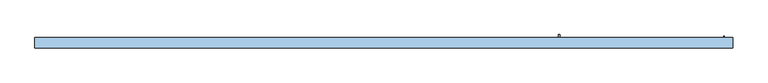
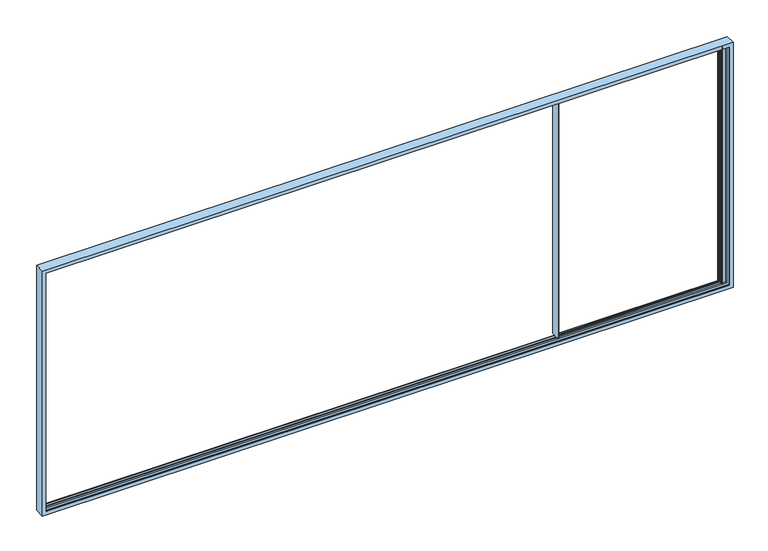
"""IFC4 building model written with IfcOpenShell, lengths in millimetres: window geometry."""

import ifcopenshell
import ifcopenshell.guid

model = None  # the IFC model being written
_history = None  # IfcOwnerHistory: only IFC2X3 demands one
_inside = {}  # id of a spatial element -> (the spatial element, [elements in it])
_under = {}  # id of a project, library or spatial element -> (it, [spatial elements below it])
_declared = {}  # id of a project -> (the project, [libraries it declares])
_typed = {}  # id of a type object -> (the type object, [elements of that type])
_made_of = {}  # id of a material, layer set ... -> (it, [elements and type objects made of it])


def new_model(schema):
    """Start an empty IFC model of exactly this schema.

    Asked for "IFC4X3", IfcOpenShell would pick the latest addendum, in which some entities
    have other attributes; the version numbers below select the first issue.
    IFC2X3 requires an IfcOwnerHistory on every rooted entity: one is made here for all.
    """
    global model, _history
    if schema == "IFC4X3":
        model = ifcopenshell.file(schema_version=(4, 3, 0, 0))
    else:
        model = ifcopenshell.file(schema=schema)
    _inside.clear()
    _under.clear()
    _declared.clear()
    _typed.clear()
    _made_of.clear()
    _history = None
    if model.schema == "IFC2X3":
        org = make("IfcOrganization", Name="unknown")
        user = make(
            "IfcPersonAndOrganization",
            ThePerson=make("IfcPerson", FamilyName="unknown"),
            TheOrganization=org,
        )
        app = make(
            "IfcApplication",
            ApplicationDeveloper=org,
            Version="unknown",
            ApplicationFullName="unknown",
            ApplicationIdentifier="unknown",
        )
        _history = make(
            "IfcOwnerHistory",
            OwningUser=user,
            OwningApplication=app,
            ChangeAction="ADDED",
            CreationDate=0,
        )
    return model


def make(cls, **values):
    """One entity of the class cls with the attributes given. An attribute that is None is left unset."""
    return model.create_entity(
        cls, **{name: value for name, value in values.items() if value is not None}
    )


def rooted(cls, **values):
    """An entity with a GlobalId (a new one), such as an element, a storey or a relation."""
    return make(cls, GlobalId=ifcopenshell.guid.new(), OwnerHistory=_history, **values)


def si_unit(unit_type, name, prefix=None):
    """IfcSIUnit, for example si_unit("LENGTHUNIT", "METRE", prefix="MILLI")."""
    return make("IfcSIUnit", UnitType=unit_type, Prefix=prefix, Name=name)


def assignment(units):
    """IfcUnitAssignment: the units of a project."""
    return None if units is None else make("IfcUnitAssignment", Units=units)


def point(xyz):
    """IfcCartesianPoint."""
    return None if xyz is None else make("IfcCartesianPoint", Coordinates=xyz)


def direction(xyz):
    """IfcDirection."""
    return None if xyz is None else make("IfcDirection", DirectionRatios=xyz)


def frame(location, z_axis=None, x_axis=None):
    """IfcAxis2Placement3D, a coordinate frame: its origin and axes. An axis left out is left unset."""
    return make(
        "IfcAxis2Placement3D",
        Location=point(location),
        Axis=direction(z_axis),
        RefDirection=direction(x_axis),
    )


def origin():
    """The frame at (0, 0, 0) with its axes left unset."""
    return frame((0.0, 0.0, 0.0))


def place(relative_to, where):
    """IfcLocalPlacement: puts the frame where relative to a parent placement (None: the world)."""
    return make(
        "IfcLocalPlacement", PlacementRelTo=relative_to, RelativePlacement=where
    )


def context(
    kind, dimensions, precision=None, world=None, true_north=None, identifier=None
):
    """IfcGeometricRepresentationContext, for example the 3D "Model" context."""
    return make(
        "IfcGeometricRepresentationContext",
        ContextIdentifier=identifier,
        ContextType=kind,
        CoordinateSpaceDimension=dimensions,
        Precision=precision,
        WorldCoordinateSystem=world,
        TrueNorth=true_north,
    )


def project(units=None, contexts=None):
    """IfcProject with its units and contexts."""
    return rooted(
        "IfcProject",
        Name="project",
        RepresentationContexts=contexts,
        UnitsInContext=assignment(units),
    )


def spatial(cls, under=None, at=None, **own):
    """A site, building, storey or space (cls), placed at a placement, below another one or the project."""
    s = rooted(cls, ObjectPlacement=at, **own)
    if under is not None:
        _under.setdefault(under.id(), (under, []))[1].append(s)
    return s


def polyline(points):
    """IfcPolyline through the points."""
    return make("IfcPolyline", Points=[point(p) for p in points])


def circle_curve(where, radius):
    """IfcCircle in the frame where."""
    return make("IfcCircle", Position=where, Radius=radius)


def faces_of(points, faces, orient=None, outer=None):
    """IfcFace entities. A face is a list of loops; a loop is a list of indices into points, from 0.

    orient and outer hold one flag for each loop. By default every Orientation is true, the
    first loop of a face is its IfcFaceOuterBound and the others are IfcFaceBound.
    """
    made = []
    for i, loops in enumerate(faces):
        bounds = []
        for j, loop in enumerate(loops):
            is_outer = j == 0 if outer is None else outer[i][j]
            bounds.append(
                make(
                    "IfcFaceOuterBound" if is_outer else "IfcFaceBound",
                    Bound=make("IfcPolyLoop", Polygon=[points[k] for k in loop]),
                    Orientation=True if orient is None else orient[i][j],
                )
            )
        made.append(make("IfcFace", Bounds=bounds))
    return made


def faceted_brep(points, faces, orient=None, outer=None, voids=None):
    """IfcFacetedBrep: a solid bounded by flat faces; with voids (closed shells), ...WithVoids."""
    shared = [point(p) for p in points]
    hull = make("IfcClosedShell", CfsFaces=faces_of(shared, faces, orient, outer))
    if voids is None:
        return make("IfcFacetedBrep", Outer=hull)
    return make(
        "IfcFacetedBrepWithVoids",
        Outer=hull,
        Voids=[
            make(cls, CfsFaces=faces_of(shared, fs, o, b)) for cls, fs, o, b in voids
        ],
    )


def shape(context_of_items, identifier, shape_type, items):
    """IfcShapeRepresentation: the items that make up one representation, for example the "Body"."""
    return make(
        "IfcShapeRepresentation",
        ContextOfItems=context_of_items,
        RepresentationIdentifier=identifier,
        RepresentationType=shape_type,
        Items=items,
    )


def source(mapping_origin, context_of_items, identifier, shape_type, items):
    """IfcRepresentationMap: a shape defined once, which mapped items show again and again."""
    return make(
        "IfcRepresentationMap",
        MappingOrigin=mapping_origin,
        MappedRepresentation=shape(context_of_items, identifier, shape_type, items),
    )


def transform(
    local_origin,
    x_axis=None,
    y_axis=None,
    z_axis=None,
    scale=None,
    scale2=None,
    scale3=None,
    uniform=True,
):
    """IfcCartesianTransformationOperator3D, or its non-uniform kind. x_axis, y_axis, z_axis: its Axis1, 2, 3."""
    if uniform:
        return make(
            "IfcCartesianTransformationOperator3D",
            Axis1=direction(x_axis),
            Axis2=direction(y_axis),
            LocalOrigin=point(local_origin),
            Scale=scale,
            Axis3=direction(z_axis),
        )
    return make(
        "IfcCartesianTransformationOperator3DnonUniform",
        Axis1=direction(x_axis),
        Axis2=direction(y_axis),
        LocalOrigin=point(local_origin),
        Scale=scale,
        Axis3=direction(z_axis),
        Scale2=scale2,
        Scale3=scale3,
    )


def mapped(mapping_source, mapping_target):
    """IfcMappedItem: shows the shape of a source again, moved by a transform."""
    return make(
        "IfcMappedItem", MappingSource=mapping_source, MappingTarget=mapping_target
    )


def made_of(thing, what):
    """Note that an element or type object is made of a material, layer set ...; save() writes the relation."""
    if what is not None:
        _made_of.setdefault(what.id(), (what, []))[1].append(thing)
    return thing


def element(
    cls,
    number,
    at=None,
    inside=None,
    cuts=None,
    type_object=None,
    material=None,
    context=None,
    identifier="Body",
    shape_type=None,
    held_by="IfcProductDefinitionShape",
    body=None,
    shapes=None,
    **own,
):
    """One element of the class cls, such as IfcWall. Its Tag is "e" and its number.

    at: its placement. inside: the storey or other place that contains it. cuts: it is an
    opening in that element (IfcRelVoidsElement). A single representation is given by context,
    identifier, shape_type and body (its items); several are given by shapes. held_by: the class
    of the entity that holds the representations. save() writes the other relations.
    """
    e = rooted(cls, Tag="e%d" % number, ObjectPlacement=at, **own)
    if body is not None:
        shapes = [shape(context, identifier, shape_type, body)]
    if shapes is not None:
        e.Representation = make(held_by, Representations=shapes)
    if inside is not None:
        _inside.setdefault(inside.id(), (inside, []))[1].append(e)
    if cuts is not None:
        rooted(
            "IfcRelVoidsElement", RelatingBuildingElement=cuts, RelatedOpeningElement=e
        )
    if type_object is not None:
        _typed.setdefault(type_object.id(), (type_object, []))[1].append(e)
    return made_of(e, material)


def aggregate(whole, parts):
    """IfcRelAggregates: a whole, such as a stair, and the parts it consists of."""
    return rooted("IfcRelAggregates", RelatingObject=whole, RelatedObjects=parts)


def save(model, path):
    """Write the relations noted so far, then the file.

    IfcRelAggregates (storeys below a building ...), IfcRelContainedInSpatialStructure (elements
    in a storey), IfcRelDefinesByType, IfcRelAssociatesMaterial and IfcRelDeclares: one each for
    every whole, place, type object, material and project.
    """
    for whole, parts in _under.values():
        aggregate(whole, parts)
    for where, things in _inside.values():
        rooted(
            "IfcRelContainedInSpatialStructure",
            RelatedElements=things,
            RelatingStructure=where,
        )
    for kind, things in _typed.values():
        rooted("IfcRelDefinesByType", RelatedObjects=things, RelatingType=kind)
    for what, things in _made_of.values():
        rooted("IfcRelAssociatesMaterial", RelatedObjects=things, RelatingMaterial=what)
    for by, libraries in _declared.values():
        rooted("IfcRelDeclares", RelatingContext=by, RelatedDefinitions=libraries)
    model.write(path)


def plane_surface(at):
    """IfcPlane: the flat surface through the origin of the frame at, square to its z axis."""
    return make("IfcPlane", Position=at)


def cylinder_surface(at, radius):
    """IfcCylindricalSurface: all points at the distance radius from the z axis of the frame at."""
    return make("IfcCylindricalSurface", Position=at, Radius=radius)


def revolved_surface(curve, axis_point, axis_direction):
    """IfcSurfaceOfRevolution: the curve turned about the line through axis_point along axis_direction."""
    return make(
        "IfcSurfaceOfRevolution",
        SweptCurve=make("IfcArbitraryOpenProfileDef", ProfileType="CURVE", Curve=curve),
        AxisPosition=make("IfcAxis1Placement", Location=point(axis_point), Axis=direction(axis_direction)),
    )


def advanced_brep(points, edges, surfaces, faces):
    """IfcAdvancedBrep: a solid bounded by faces that lie on surfaces and meet in shared edges.

    An edge is (start, end): straight between two places in points (the first is 0);
    or (start, end, curve); or (start, end, curve, False) where it runs against its curve.
    A face is (place in surfaces, loops), or (place, loops, False) where it looks against
    its surface's normal. A loop lists edges by number (the first is 1), with a minus sign
    where the edge is run from its end to its start. The first loop is the outer one.
    """
    corners = [point(p) for p in points]
    vertices = [make("IfcVertexPoint", VertexGeometry=c) for c in corners]
    made = []
    for start, end, *more in edges:
        made.append(
            make(
                "IfcEdgeCurve",
                EdgeStart=vertices[start],
                EdgeEnd=vertices[end],
                EdgeGeometry=more[0] if more else make("IfcPolyline", Points=[corners[start], corners[end]]),
                SameSense=more[1] if len(more) > 1 else True,
            )
        )
    hull = []
    for where, loops, *sense in faces:
        bounds = []
        for j, loop in enumerate(loops):
            ring = [make("IfcOrientedEdge", EdgeElement=made[abs(k) - 1], Orientation=k > 0) for k in loop]
            bounds.append(
                make(
                    "IfcFaceOuterBound" if j == 0 else "IfcFaceBound",
                    Bound=make("IfcEdgeLoop", EdgeList=ring),
                    Orientation=True,
                )
            )
        hull.append(make("IfcAdvancedFace", Bounds=bounds, FaceSurface=surfaces[where], SameSense=sense[0] if sense else True))
    return make("IfcAdvancedBrep", Outer=make("IfcClosedShell", CfsFaces=hull))


def window_cff2ae9e(model_context):
    return source(origin(), model_context, "Body", "SolidModel", [
        advanced_brep(
        [(4100.0, 9.1, 832.5), (4100.0, -27.3, 832.5), (4100.0, -27.3, 844.0), (4100.0, -53.8934471, 844.0), (4100.0, -53.8934471, 3752.9999325), (4100.0, -27.3, 3752.9999325), (4100.0, -27.3, 3765.0), (4100.0, 9.1, 3765.0), (4100.0, 9.1, 3752.9999325), (4100.0, 51.1, 3752.9999325), (4100.0, 51.1, 844.0), (4100.0, 9.1, 844.0), (6080.0, 9.1, 832.5), (6080.0, -27.3, 832.5), (6080.0, -27.3, 859.0), (6068.3, -27.3, 859.0), (6068.3, -27.3, 3741.0), (6080.0, -27.3, 3741.0), (6080.0, -27.3, 3765.0), (4110.0, -27.3, 3752.9999325), (4110.0, -27.3, 844.0), (4120.0, -27.3, 859.0), (4120.0, -27.3, 3741.0), (5995.0, -27.3, 3741.0), (5995.0, -27.3, 859.0), (5997.0, -27.3, 3752.9999325), (6002.3815605, -27.3, 3752.9999325), (6002.3815605, -27.3, 847.0000675), (5997.0, -27.3, 847.0000675), (4120.0, 51.1, 844.0), (4120.0, 9.1, 844.0), (4110.0, -53.8934471, 844.0), (4110.0, -53.8934471, 3752.9999325), (4120.0, 51.1, 3752.9999325), (6080.0, 9.1, 859.0), (4120.0, 9.1, 859.0), (5995.0, 9.1, 859.0), (5995.0, 9.1, 3741.0), (4120.0, 9.1, 3741.0), (4120.0, 9.1, 3752.9999325), (6080.0, 9.1, 3765.0), (6080.0, 9.1, 3741.0), (6068.3, 9.1, 3741.0), (6068.3, 9.1, 859.0), (6002.3815605, 9.1, 3752.9999325), (5997.0, 9.1, 3752.9999325), (5997.0, 9.1, 847.0000675), (6002.3815605, 9.1, 847.0000675), (6080.0, 5.9, 859.0), (6080.0, 5.9, 847.0000675), (6080.0, -24.1, 847.0000675), (6080.0, -24.1, 859.0), (6068.3, 5.9, 859.0), (6068.3, 5.9, 847.0000675), (4108.0, 5.9, 847.0000675), (6009.0, 5.9, 847.0000675), (6009.0, 5.9, 3752.9999325), (4108.0, 5.9, 3752.9999325), (5995.0, 5.9, 859.0), (4120.0, 5.9, 859.0), (4120.0, 5.9, 3741.0), (5995.0, 5.9, 3741.0), (6080.0, 5.9, 3741.0), (6080.0, 5.9, 3752.9999325), (6068.3, 5.9, 3752.9999325), (6068.3, 5.9, 3741.0), (6068.3, -24.1, 847.0000675), (4108.0, -24.1, 847.0000675), (6009.0, -24.1, 847.0000675), (6068.3, -24.1, 859.0), (4108.0, -24.1, 3752.9999325), (6009.0, -24.1, 3752.9999325), (4120.0, -24.1, 859.0), (5995.0, -24.1, 859.0), (5995.0, -24.1, 3741.0), (4120.0, -24.1, 3741.0), (6080.0, -24.1, 3752.9999325), (6080.0, -24.1, 3741.0), (6068.3, -24.1, 3741.0), (6068.3, -24.1, 3752.9999325), (5995.1310857, 15.6176786, 3752.9999325), (5995.1310857, 15.6176786, 847.0000675), (5995.1310857, 18.174499, 847.0000675), (5999.7836563, 33.3923717, 847.0000675), (6000.7399611, 34.1, 847.0000675), (6003.5, 34.1, 847.0000675), (6003.9747822, 33.4432139, 847.0000675), (5998.239631, 18.0330365, 847.0000675), (5998.126431, 16.0555341, 847.0000675), (5999.4977754, 11.2730879, 847.0000675), (5999.4977754, -29.4730879, 847.0000675), (5998.126431, -34.2555341, 847.0000675), (5998.239631, -36.2330365, 847.0000675), (6003.9747822, -51.6432139, 847.0000675), (6003.5, -52.3, 847.0000675), (6000.7399611, -52.3, 847.0000675), (5999.7836563, -51.5923717, 847.0000675), (5995.1310857, -36.374499, 847.0000675), (5995.1310857, -33.8176786, 847.0000675), (5999.4977754, 11.2730879, 3752.9999325), (5999.4977754, -29.4730879, 3752.9999325), (5995.1310857, -33.8176786, 3752.9999325), (5998.126431, -34.2555341, 3752.9999325), (5998.239631, -36.2330365, 3752.9999325), (6003.9747822, -51.6432139, 3752.9999325), (6003.5, -52.3, 3752.9999325), (6000.7399611, -52.3, 3752.9999325), (5999.7836563, -51.5923717, 3752.9999325), (5995.1310857, -36.374499, 3752.9999325), (5995.1310857, 18.174499, 3752.9999325), (5999.7836563, 33.3923717, 3752.9999325), (6000.7399611, 34.1, 3752.9999325), (6003.5, 34.1, 3752.9999325), (6003.9747822, 33.4432139, 3752.9999325), (5998.239631, 18.0330365, 3752.9999325), (5998.126431, 16.0555341, 3752.9999325)],
        [
            (0, 1),
            (1, 2),
            (2, 3),
            (3, 4),
            (4, 5),
            (5, 6),
            (6, 7),
            (7, 8),
            (8, 9),
            (9, 10),
            (10, 11),
            (11, 0),
            (0, 12),
            (12, 13),
            (13, 1),
            (13, 14),
            (14, 15),
            (15, 16),
            (16, 17),
            (17, 18),
            (18, 6),
            (5, 19),
            (19, 20),
            (20, 2),
            (21, 22),
            (22, 23),
            (23, 24),
            (24, 21),
            (25, 26),
            (26, 27),
            (27, 28),
            (28, 25),
            (10, 29),
            (29, 30),
            (30, 11),
            (20, 31),
            (31, 3),
            (32, 4),
            (31, 32),
            (9, 33),
            (33, 29),
            (34, 12),
            (30, 35),
            (35, 36),
            (36, 37),
            (37, 38),
            (38, 39),
            (39, 8),
            (7, 40),
            (40, 41),
            (41, 42),
            (42, 43),
            (43, 34),
            (44, 45),
            (45, 46),
            (46, 47),
            (47, 44),
            (48, 49),
            (49, 50),
            (50, 51),
            (51, 14),
            (34, 48),
            (48, 52),
            (52, 53),
            (53, 49),
            (54, 55),
            (55, 56),
            (56, 57),
            (57, 54),
            (58, 59),
            (59, 60),
            (60, 61),
            (61, 58),
            (62, 63),
            (63, 64),
            (64, 65),
            (65, 62),
            (53, 66),
            (66, 50),
            (54, 67),
            (67, 68),
            (68, 55),
            (66, 69),
            (69, 51),
            (67, 70),
            (70, 71),
            (71, 68),
            (72, 73),
            (73, 74),
            (74, 75),
            (75, 72),
            (76, 77),
            (77, 78),
            (78, 79),
            (79, 76),
            (69, 15),
            (72, 21),
            (24, 73),
            (43, 52),
            (35, 59),
            (58, 36),
            (42, 65),
            (64, 79),
            (78, 16),
            (33, 39),
            (38, 60),
            (61, 37),
            (45, 80),
            (80, 81),
            (81, 46),
            (81, 82, circle_curve(frame((5999.5894319, 16.8960888, 847.0000675), z_axis=(0.0, 0.0, -1.0), x_axis=(0.0, -1.0, 0.0)), 4.638015)),
            (82, 83),
            (83, 84, circle_curve(frame((6000.7399611, 33.1, 847.0000675), z_axis=(0.0, 0.0, -1.0), x_axis=(0.0, -1.0, 0.0)), 1.0)),
            (84, 85),
            (85, 86, circle_curve(frame((6003.5, 33.6, 847.0000675), z_axis=(0.0, 0.0, -1.0), x_axis=(0.0, -1.0, 0.0)), 0.5)),
            (86, 87, circle_curve(frame((5794.8068415, 102.5162025, 847.0000675), z_axis=(0.0, 0.0, -1.0), x_axis=(0.0, -1.0, 0.0)), 220.2777909)),
            (87, 88, circle_curve(frame((6001.0102161, 16.8824462, 847.0000675), z_axis=(0.0, 0.0, 1.0), x_axis=(0.0, -1.0, 0.0)), 3.0)),
            (88, 89),
            (89, 47, circle_curve(frame((6002.3815605, 12.1, 847.0000675), z_axis=(0.0, 0.0, 1.0), x_axis=(0.0, -1.0, 0.0)), 3.0)),
            (27, 90, circle_curve(frame((6002.3815605, -30.3, 847.0000675), z_axis=(0.0, 0.0, 1.0), x_axis=(0.0, -1.0, 0.0)), 3.0)),
            (90, 91),
            (91, 92, circle_curve(frame((6001.0102161, -35.0824462, 847.0000675), z_axis=(0.0, 0.0, 1.0), x_axis=(0.0, -1.0, 0.0)), 3.0)),
            (92, 93, circle_curve(frame((5794.8068415, -120.7162025, 847.0000675), z_axis=(0.0, 0.0, -1.0), x_axis=(0.0, -1.0, 0.0)), 220.2777909)),
            (93, 94, circle_curve(frame((6003.5, -51.8, 847.0000675), z_axis=(0.0, 0.0, -1.0), x_axis=(0.0, -1.0, 0.0)), 0.5)),
            (94, 95),
            (95, 96, circle_curve(frame((6000.7399611, -51.3, 847.0000675), z_axis=(0.0, 0.0, -1.0), x_axis=(0.0, -1.0, 0.0)), 1.0)),
            (96, 97),
            (97, 98, circle_curve(frame((5999.5894319, -35.0960888, 847.0000675), z_axis=(0.0, 0.0, -1.0), x_axis=(0.0, -1.0, 0.0)), 4.638015)),
            (98, 28),
            (99, 44, circle_curve(frame((6002.3815605, 12.1, 3752.9999325), z_axis=(0.0, 0.0, 1.0), x_axis=(0.0, -1.0, 0.0)), 3.0)),
            (89, 99),
            (19, 32),
            (75, 22),
            (23, 74),
            (26, 100, circle_curve(frame((6002.3815605, -30.3, 3752.9999325), z_axis=(0.0, 0.0, 1.0), x_axis=(0.0, -1.0, 0.0)), 3.0)),
            (100, 90),
            (101, 25),
            (98, 101),
            (57, 70),
            (71, 56),
            (100, 102),
            (102, 91),
            (102, 103, circle_curve(frame((6001.0102161, -35.0824462, 3752.9999325), z_axis=(0.0, 0.0, 1.0), x_axis=(0.0, -1.0, 0.0)), 3.0)),
            (103, 92),
            (103, 104, circle_curve(frame((5794.8068415, -120.7162025, 3752.9999325), z_axis=(0.0, 0.0, -1.0), x_axis=(0.0, -1.0, 0.0)), 220.2777909)),
            (104, 93),
            (104, 105, circle_curve(frame((6003.5, -51.8, 3752.9999325), z_axis=(0.0, 0.0, -1.0), x_axis=(0.0, -1.0, 0.0)), 0.5)),
            (105, 94),
            (105, 106),
            (106, 95),
            (106, 107, circle_curve(frame((6000.7399611, -51.3, 3752.9999325), z_axis=(0.0, 0.0, -1.0), x_axis=(0.0, -1.0, 0.0)), 1.0)),
            (107, 96),
            (107, 108),
            (108, 97),
            (108, 101, circle_curve(frame((5999.5894319, -35.0960888, 3752.9999325), z_axis=(0.0, 0.0, -1.0), x_axis=(0.0, -1.0, 0.0)), 4.638015)),
            (80, 109, circle_curve(frame((5999.5894319, 16.8960888, 3752.9999325), z_axis=(0.0, 0.0, -1.0), x_axis=(0.0, -1.0, 0.0)), 4.638015)),
            (109, 82),
            (109, 110),
            (110, 83),
            (110, 111, circle_curve(frame((6000.7399611, 33.1, 3752.9999325), z_axis=(0.0, 0.0, -1.0), x_axis=(0.0, -1.0, 0.0)), 1.0)),
            (111, 84),
            (111, 112),
            (112, 85),
            (112, 113, circle_curve(frame((6003.5, 33.6, 3752.9999325), z_axis=(0.0, 0.0, -1.0), x_axis=(0.0, -1.0, 0.0)), 0.5)),
            (113, 86),
            (113, 114, circle_curve(frame((5794.8068415, 102.5162025, 3752.9999325), z_axis=(0.0, 0.0, -1.0), x_axis=(0.0, -1.0, 0.0)), 220.2777909)),
            (114, 87),
            (114, 115, circle_curve(frame((6001.0102161, 16.8824462, 3752.9999325), z_axis=(0.0, 0.0, 1.0), x_axis=(0.0, -1.0, 0.0)), 3.0)),
            (115, 88),
            (115, 99),
            (18, 40),
            (41, 62),
            (17, 77),
            (76, 63),
        ],
        [
            plane_surface(frame((4100.0, 9.1, 859.0), z_axis=(-1.0, 0.0, 0.0), x_axis=(0.0, 1.0, 0.0))),
            plane_surface(frame((4100.0, 9.1, 832.5), z_axis=(0.0, 0.0, -1.0), x_axis=(1.0, 0.0, 0.0))),
            plane_surface(frame((4100.0, -27.3, 832.5), z_axis=(0.0, -1.0, 0.0), x_axis=(1.0, 0.0, 0.0))),
            plane_surface(frame((4100.0, -53.8934471, 844.0), z_axis=(0.0, 0.0, -1.0), x_axis=(-1.0, 0.0, 0.0))),
            plane_surface(frame((4100.0, -53.8934471, 3752.9999325), z_axis=(0.0, -1.0, 0.0), x_axis=(0.0, 0.0, -1.0))),
            plane_surface(frame((4120.0, 51.1, 3752.9999325), z_axis=(0.0, 1.0, 0.0), x_axis=(0.0, 0.0, -1.0))),
            plane_surface(frame((4100.0, 9.1, 859.0), z_axis=(0.0, 1.0, 0.0), x_axis=(1.0, 0.0, 0.0))),
            plane_surface(frame((6080.0, 9.1, 859.0), z_axis=(1.0, 0.0, 0.0), x_axis=(0.0, -1.0, 0.0))),
            plane_surface(frame((4100.0, 5.9, 847.0000675), z_axis=(0.0, -1.0, 0.0), x_axis=(1.0, 0.0, 0.0))),
            plane_surface(frame((4100.0, -24.1, 847.0000675), z_axis=(0.0, 0.0, 1.0), x_axis=(1.0, 0.0, 0.0))),
            plane_surface(frame((4100.0, -24.1, 859.0), z_axis=(0.0, 1.0, 0.0), x_axis=(1.0, 0.0, 0.0))),
            plane_surface(frame((4100.0, -27.3, 859.0), z_axis=(0.0, 0.0, 1.0), x_axis=(1.0, 0.0, 0.0))),
            plane_surface(frame((4100.0, 5.9, 859.0), z_axis=(0.0, 0.0, 1.0), x_axis=(1.0, 0.0, 0.0))),
            plane_surface(frame((6068.3, -27.3, 3752.9999325), z_axis=(1.0, 0.0, 0.0), x_axis=(0.0, 0.0, -1.0))),
            plane_surface(frame((4120.0, 5.9, 3752.9999325), z_axis=(1.0, 0.0, 0.0), x_axis=(0.0, 0.0, -1.0))),
            plane_surface(frame((5995.0, 9.1, 3752.9999325), z_axis=(-1.0, 0.0, 0.0), x_axis=(0.0, 0.0, -1.0))),
            plane_surface(frame((5995.1310857, 15.6176786, 3752.9999325), z_axis=(-0.9612616959382221, -0.27563735581733667, 0.0), x_axis=(0.0, 0.0, -1.0))),
            plane_surface(frame((5995.0, 100.0, 847.0000675), z_axis=(0.0, 0.0, -1.0), x_axis=(0.0, -1.0, 0.0))),
            revolved_surface(polyline([(6002.3815605, 9.1, 847.0000675000001), (6002.3815605, 9.1, 3752.9999325)]), (6002.3815605, 12.1, 3752.9999325), (0.0, 0.0, -1.0)),
            plane_surface(frame((4110.0, -53.8934471, 3752.9999325), z_axis=(1.0, 0.0, 0.0), x_axis=(0.0, 0.0, -1.0))),
            plane_surface(frame((4120.0, -27.3, 3752.9999325), z_axis=(1.0, 0.0, 0.0), x_axis=(0.0, 0.0, -1.0))),
            plane_surface(frame((5995.0, -24.1, 3752.9999325), z_axis=(-1.0, 0.0, 0.0), x_axis=(0.0, 0.0, -1.0))),
            revolved_surface(polyline([(6002.3815605, -33.3, 847.0000675000001), (6002.3815605, -33.3, 3752.9999325)]), (6002.3815605, -30.3, 3752.9999325), (0.0, 0.0, -1.0)),
            plane_surface(frame((5997.0, -27.3, 3752.9999325), z_axis=(-0.9612616959380554, 0.27563735581791804, 0.0), x_axis=(0.0, 0.0, -1.0))),
            plane_surface(frame((4108.0, -24.1, 3752.9999325), z_axis=(1.0, 0.0, 0.0), x_axis=(0.0, 0.0, -1.0))),
            plane_surface(frame((6009.0, 5.9, 3752.9999325), z_axis=(-1.0, 0.0, 0.0), x_axis=(0.0, 0.0, -1.0))),
            plane_surface(frame((5998.126431, -34.2555341, 3752.9999325), z_axis=(0.9612616959382922, -0.2756373558170922, 0.0), x_axis=(0.0, 0.0, -1.0))),
            revolved_surface(polyline([(6001.0102161, -38.0824462, 847.0000675000001), (6001.0102161, -38.0824462, 3752.9999325)]), (6001.0102161, -35.0824462, 3752.9999325), (0.0, 0.0, -1.0)),
            cylinder_surface(frame((5794.8068415, -120.7162025, 3752.9999325), z_axis=(0.0, 0.0, 1.0), x_axis=(0.0, -1.0, 0.0)), 220.2777909),
            cylinder_surface(frame((6003.5, -51.8, 3752.9999325), z_axis=(0.0, 0.0, 1.0), x_axis=(0.0, -1.0, 0.0)), 0.5),
            plane_surface(frame((6000.7399611, -52.3, 3752.9999325), z_axis=(0.0, -1.0, 0.0), x_axis=(0.0, 0.0, -1.0))),
            cylinder_surface(frame((6000.7399611, -51.3, 3752.9999325), z_axis=(0.0, 0.0, 1.0), x_axis=(0.0, -1.0, 0.0)), 1.0),
            plane_surface(frame((5995.1310857, -36.374499, 3752.9999325), z_axis=(-0.9563047559631511, -0.29237170472235874, 0.0), x_axis=(0.0, 0.0, -1.0))),
            cylinder_surface(frame((5999.5894319, -35.0960888, 3752.9999325), z_axis=(0.0, 0.0, 1.0), x_axis=(0.0, -1.0, 0.0)), 4.638015),
            cylinder_surface(frame((5999.5894319, 16.8960888, 3752.9999325), z_axis=(0.0, 0.0, 1.0), x_axis=(0.0, -1.0, 0.0)), 4.638015),
            plane_surface(frame((5999.7836563, 33.3923717, 3752.9999325), z_axis=(-0.9563047559630964, 0.2923717047225375, 0.0), x_axis=(0.0, 0.0, -1.0))),
            cylinder_surface(frame((6000.7399611, 33.1, 3752.9999325), z_axis=(0.0, 0.0, 1.0), x_axis=(0.0, -1.0, 0.0)), 1.0),
            plane_surface(frame((6003.5, 34.1, 3752.9999325), z_axis=(0.0, 1.0, 0.0), x_axis=(0.0, 0.0, -1.0))),
            cylinder_surface(frame((6003.5, 33.6, 3752.9999325), z_axis=(0.0, 0.0, 1.0), x_axis=(0.0, -1.0, 0.0)), 0.5),
            cylinder_surface(frame((5794.8068415, 102.5162025, 3752.9999325), z_axis=(0.0, 0.0, 1.0), x_axis=(0.0, -1.0, 0.0)), 220.2777909),
            revolved_surface(polyline([(6001.0102161, 13.8824462, 847.0000675000001), (6001.0102161, 13.8824462, 3752.9999325)]), (6001.0102161, 16.8824462, 3752.9999325), (0.0, 0.0, -1.0)),
            plane_surface(frame((5999.4977754, 11.2730879, 3752.9999325), z_axis=(0.9612616959385033, 0.2756373558163562, 0.0), x_axis=(0.0, 0.0, -1.0))),
            plane_surface(frame((4100.0, -53.8934471, 3752.9999325), z_axis=(0.0, 0.0, 1.0), x_axis=(1.0, 0.0, 0.0))),
            plane_surface(frame((4100.0, -27.3, 3765.0), z_axis=(0.0, 0.0, 1.0), x_axis=(1.0, 0.0, 0.0))),
            plane_surface(frame((4100.0, 9.1, 3741.0), z_axis=(0.0, 0.0, -1.0), x_axis=(1.0, 0.0, 0.0))),
            plane_surface(frame((6080.0, 9.1, 3765.0), z_axis=(1.0, 0.0, 0.0), x_axis=(0.0, -1.0, 0.0))),
            plane_surface(frame((5995.0, 100.0, 3752.9999325), z_axis=(0.0, 0.0, 1.0), x_axis=(0.0, -1.0, 0.0))),
            plane_surface(frame((4100.0, -24.1, 3741.0), z_axis=(0.0, 0.0, -1.0), x_axis=(1.0, 0.0, 0.0))),
            plane_surface(frame((4100.0, 5.9, 3752.9999325), z_axis=(0.0, 0.0, -1.0), x_axis=(1.0, 0.0, 0.0))),
        ],
        [
            (0, [[1, 2, 3, 4, 5, 6, 7, 8, 9, 10, 11, 12]]),
            (1, [[-1, 13, 14, 15]]),
            (2, [[16, 17, 18, 19, 20, 21, -6, 22, 23, 24, -2, -15], [25, 26, 27, 28], [29, 30, 31, 32]]),
            (3, [[33, 34, 35, -11]]),
            (3, [[36, 37, -3, -24]]),
            (4, [[38, -4, -37, 39]]),
            (5, [[40, 41, -33, -10]]),
            (6, [[42, -13, -12, -35, 43, 44, 45, 46, 47, 48, -8, 49, 50, 51, 52, 53], [54, 55, 56, 57]]),
            (7, [[58, 59, 60, 61, -16, -14, -42, 62]]),
            (8, [[-58, 63, 64, 65]]),
            (8, [[66, 67, 68, 69], [70, 71, 72, 73]]),
            (8, [[74, 75, 76, 77]]),
            (9, [[-59, -65, 78, 79]]),
            (9, [[80, 81, 82, -66]]),
            (10, [[-60, -79, 83, 84]]),
            (10, [[-81, 85, 86, 87], [88, 89, 90, 91]]),
            (10, [[92, 93, 94, 95]]),
            (11, [[-61, -84, 96, -17]]),
            (11, [[97, -28, 98, -88]]),
            (12, [[-62, -53, 99, -63]]),
            (12, [[100, -70, 101, -44]]),
            (13, [[-99, -52, 102, -76, 103, -94, 104, -18, -96, -83, -78, -64]]),
            (14, [[-41, 105, -47, 106, -71, -100, -43, -34]]),
            (15, [[-101, -73, 107, -45]]),
            (16, [[-55, 108, 109, 110]]),
            (17, [[-110, 111, 112, 113, 114, 115, 116, 117, 118, 119, -56]]),
            (17, [[120, 121, 122, 123, 124, 125, 126, 127, 128, 129, -31]]),
            (18, [[130, -57, -119, 131]]),
            (19, [[-23, 132, -39, -36]]),
            (20, [[-97, -91, 133, -25]]),
            (21, [[-98, -27, 134, -89]]),
            (22, [[-30, 135, 136, -120]]),
            (23, [[137, -32, -129, 138]]),
            (24, [[-85, -80, -69, 139]]),
            (25, [[-67, -82, -87, 140]]),
            (26, [[141, 142, -121, -136]]),
            (27, [[143, 144, -122, -142]]),
            (28, [[145, 146, -123, -144]]),
            (29, [[147, 148, -124, -146]]),
            (30, [[149, 150, -125, -148]]),
            (31, [[151, 152, -126, -150]]),
            (32, [[153, 154, -127, -152]]),
            (33, [[155, -138, -128, -154]]),
            (34, [[156, 157, -111, -109]]),
            (35, [[158, 159, -112, -157]]),
            (36, [[160, 161, -113, -159]]),
            (37, [[162, 163, -114, -161]]),
            (38, [[164, 165, -115, -163]]),
            (39, [[166, 167, -116, -165]]),
            (40, [[168, 169, -117, -167]]),
            (41, [[170, -131, -118, -169]]),
            (42, [[-38, -132, -22, -5]]),
            (42, [[-40, -9, -48, -105]]),
            (43, [[-7, -21, 171, -49]]),
            (44, [[172, -77, -102, -51]]),
            (44, [[-72, -106, -46, -107]]),
            (45, [[-20, 173, -92, 174, -74, -172, -50, -171]]),
            (46, [[-130, -170, -168, -166, -164, -162, -160, -158, -156, -108, -54]]),
            (46, [[-137, -155, -153, -151, -149, -147, -145, -143, -141, -135, -29]]),
            (47, [[-26, -133, -90, -134]]),
            (47, [[-173, -19, -104, -93]]),
            (48, [[-174, -95, -103, -75]]),
            (48, [[-68, -140, -86, -139]]),
        ],
    ),
        faceted_brep([(-1880.8, 12.1, 3780.8), (-1880.8, -29.9595265, 3780.8), (-1880.8, -29.9595265, 819.2), (-1880.8, 12.1, 819.2), (6080.8, -29.9595265, 819.2), (6080.8, 12.1, 819.2), (6080.8, -29.9595265, 3780.8), (6056.0, -29.9595265, 844.0), (6056.0, -29.9595265, 3756.0), (-1856.0, -29.9595265, 3756.0), (-1856.0, -29.9595265, 844.0), (6080.8, 12.1, 3780.8), (-1856.0, 12.1, 844.0), (-1856.0, 12.1, 3756.0), (6056.0, 12.1, 3756.0), (6056.0, 12.1, 844.0), (-1856.0, 15.8, 3756.0), (-1856.0, 15.8, 844.0), (6056.0, 15.8, 844.0), (6056.0, 15.8, 3756.0), (-1900.0, 15.8, 800.0), (-1900.0, 15.8, 3800.0), (6100.0, 15.8, 3800.0), (6100.0, 15.8, 800.0), (-1900.0, -100.0, 3800.0), (-1900.0, -100.0, 800.0), (6100.0, -100.0, 800.0), (6100.0, -100.0, 3800.0), (-1856.0, -100.0, 844.0), (-1856.0, -100.0, 3756.0), (6056.0, -100.0, 3756.0), (6056.0, -100.0, 844.0), (-1856.0, -96.3, 3756.0), (-1856.0, -96.3, 844.0), (6056.0, -96.3, 844.0), (6056.0, -96.3, 3756.0), (-1880.5221068, -96.3, 819.4778932), (-1880.5221068, -96.3, 3780.5221068), (6080.5221068, -96.3, 3780.5221068), (6080.5221068, -96.3, 819.4778932), (-1880.5221068, -53.9, 3780.5221068), (-1880.5221068, -53.9, 819.4778932), (6080.5221068, -53.9, 819.4778932), (6080.5221068, -53.9, 3780.5221068), (-1856.0, -53.9, 844.0), (-1856.0, -53.9, 3756.0), (6056.0, -53.9, 3756.0), (6056.0, -53.9, 844.0)], [[[0, 1, 2, 3]], [[3, 2, 4, 5]], [[2, 1, 6, 4], [7, 8, 9, 10]], [[5, 4, 6, 11]], [[3, 5, 11, 0], [12, 13, 14, 15]], [[16, 13, 12, 17]], [[17, 12, 15, 18]], [[18, 15, 14, 19]], [[20, 21, 22, 23], [17, 18, 19, 16]], [[24, 21, 20, 25]], [[25, 20, 23, 26]], [[26, 23, 22, 27]], [[25, 26, 27, 24], [28, 29, 30, 31]], [[32, 29, 28, 33]], [[33, 28, 31, 34]], [[34, 31, 30, 35]], [[36, 37, 38, 39], [34, 35, 32, 33]], [[40, 37, 36, 41]], [[41, 36, 39, 42]], [[42, 39, 38, 43]], [[42, 43, 40, 41], [44, 45, 46, 47]], [[9, 45, 44, 10]], [[10, 44, 47, 7]], [[7, 47, 46, 8]], [[11, 6, 1, 0]], [[19, 14, 13, 16]], [[27, 22, 21, 24]], [[35, 30, 29, 32]], [[43, 38, 37, 40]], [[8, 46, 45, 9]]]),
    ])


if __name__ == "__main__":
    model = new_model("IFC4")
    model_context = context("Model", 3, world=origin())
    ifc_project = project(units=[si_unit("LENGTHUNIT", "METRE", prefix="MILLI")], contexts=[model_context])
    site = spatial("IfcSite", under=ifc_project)
    building = spatial("IfcBuilding", under=site)
    placement = place(None, origin())
    window_shape = window_cff2ae9e(model_context)
    element("IfcWindow", 1, at=placement, inside=building, context=model_context, shape_type="MappedRepresentation", body=[
        mapped(window_shape, transform((0.0, 0.0, 0.0), x_axis=(1.0, 0.0, 0.0), y_axis=(0.0, 1.0, 0.0), z_axis=(0.0, 0.0, 1.0))),
    ])
    save(model, "model.ifc")
